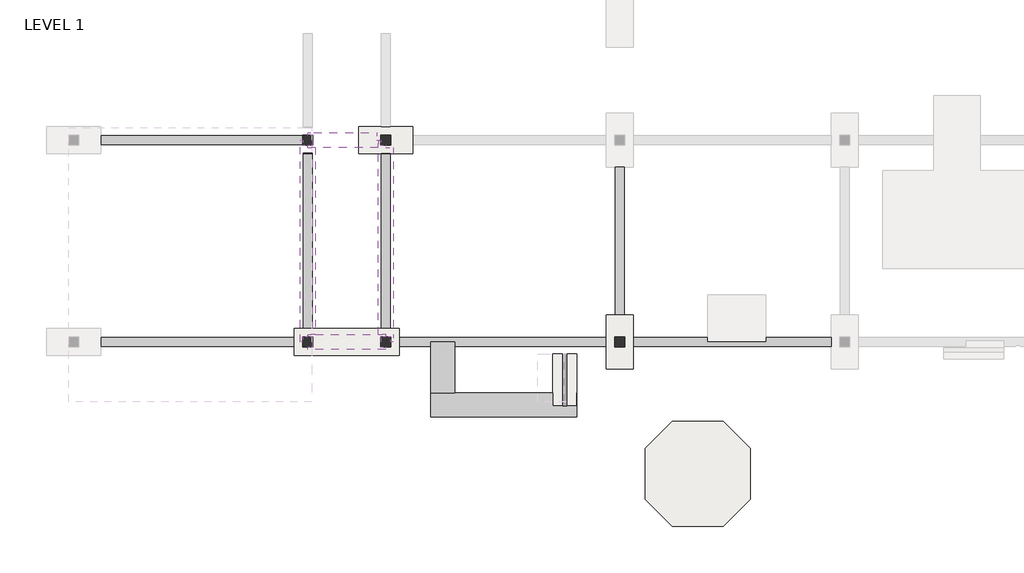
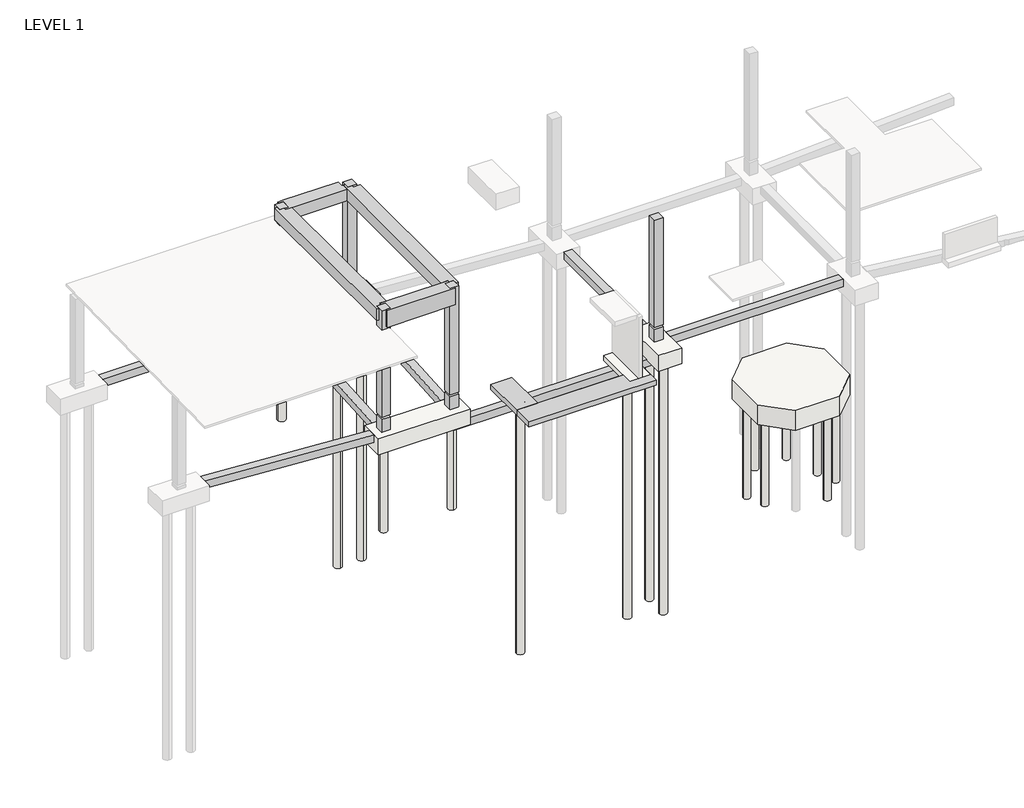
# One storey, part 5 of 20: 20 slabs, 13 beams, 5 columns, 1 footing.
"""IFC4 building model written with IfcOpenShell, lengths in millimetres."""

from ifc_helpers import new_model, si_unit, point, frame, frame_2d, origin, origin_with_axes, place, context, project, spatial, polyline, circle_curve, trimmed, segment, composite_curve, outline, extrude, faceted_brep, element, save
from ifc_brep_helpers import plane_surface, cylinder_surface, revolved_surface, advanced_brep

model = new_model("IFC4")

# Units and contexts
model_context = context("Model", 3, world=origin())
ifc_project = project(units=[si_unit("LENGTHUNIT", "METRE", prefix="MILLI")], contexts=[model_context])

# Site, building, storey
site = spatial("IfcSite", under=ifc_project)
building = spatial("IfcBuilding", under=site)
storey = spatial("IfcBuildingStorey", under=building, Name="LEVEL 1", Elevation=0.0)

# Beams
placement = place(None, origin())
element("IfcBeam", 1, ObjectType="Concrete-Rectangular Beam", at=placement, inside=storey, context=model_context, shape_type="SweptSolid", body=[
    extrude(outline(polyline([(-305.5076242, -1640.9610058), (-763.6257391, -1640.9610058), (-1386.8911151, 8188.8389942), (-928.7730003, 8188.8389942), (-305.5076242, -1640.9610058)])), frame((0.0, -55707.5107149, 0.0), z_axis=(0.0, 1.0, 0.0), x_axis=(0.0, 0.0, 1.0)), (0.0, 0.0, 1.0), 457.2),
])
element("IfcBeam", 2, ObjectType="Concrete-Rectangular Beam", at=placement, inside=storey, context=model_context, shape_type="AdvancedBrep", body=[
    advanced_brep(
    [(24724.2389942, -55707.5107149, -2286.0), (24724.2389942, -55250.3107149, -2286.0), (24724.2389942, -55250.3107149, -1879.6), (24724.2389942, -55707.5107149, -1879.6), (24038.4389942, -55707.5107149, -1828.8), (24038.4389942, -55250.3107149, -1828.8), (13522.8389942, -55250.3107149, -1828.8), (13522.8389942, -55707.5107149, -1828.8), (12837.0389942, -55707.5107149, -2286.0), (24038.4389942, -55707.5107149, -1879.6), (13522.8389942, -55707.5107149, -1879.6), (12837.0389942, -55707.5107149, -1879.6), (12837.0389942, -55250.3107149, -2286.0), (12837.0389942, -55250.3107149, -1879.6), (13522.8389942, -55250.3107149, -1879.6), (24038.4389942, -55250.3107149, -1879.6)],
    [
        (0, 1),
        (1, 2),
        (2, 3),
        (3, 0),
        (4, 5),
        (5, 6),
        (6, 7),
        (7, 4),
        (8, 0),
        (3, 9),
        (9, 4),
        (7, 10),
        (10, 11),
        (11, 8),
        (8, 12, circle_curve(frame((12837.0389942, -55478.9107149, -2286.0), z_axis=(0.0, 0.0, 1.0), x_axis=(0.0, 1.0000000000000002, 0.0)), 228.6)),
        (12, 1),
        (12, 13),
        (13, 14),
        (14, 6),
        (5, 15),
        (15, 2),
        (9, 15),
        (11, 13, circle_curve(frame((12837.0389942, -55478.9107149, -1879.6), z_axis=(0.0, 0.0, 1.0), x_axis=(0.0, 1.0000000000000002, 0.0)), 228.6)),
        (14, 10),
    ],
    [
        plane_surface(frame((24724.2389942, -55478.9107149, -2057.4), z_axis=(1.0, 0.0, 0.0), x_axis=(0.0, 0.0, 1.0))),
        plane_surface(frame((24724.2389942, -55250.3107149, -1828.8), z_axis=(0.0, 0.0, 1.0), x_axis=(-1.0, 0.0, 0.0))),
        plane_surface(frame((24724.2389942, -55707.5107149, -1828.8), z_axis=(0.0, -1.0, 0.0), x_axis=(-1.0, 0.0, 0.0))),
        plane_surface(frame((24724.2389942, -55707.5107149, -2286.0), z_axis=(0.0, 0.0, -1.0), x_axis=(-1.0, 0.0, 0.0))),
        plane_surface(frame((24724.2389942, -55250.3107149, -2286.0), z_axis=(0.0, 1.0, 0.0), x_axis=(-1.0, 0.0, 0.0))),
        plane_surface(frame((24038.4389942, -54107.3107149, -914.4), z_axis=(1.0, 0.0, 0.0), x_axis=(0.0, 0.0, -1.0))),
        revolved_surface(polyline([(12837.0389942, -55250.3107149, -1879.5999999999995), (12837.0389942, -55250.3107149, -2286.0)]), (12837.0389942, -55478.9107149, -7162.8), (0.0, 0.0, 1.0)),
        plane_surface(frame((13522.8389942, -56164.7107149, -914.4), z_axis=(-1.0, 0.0, 0.0), x_axis=(0.0, 0.0, -1.0))),
        plane_surface(frame((24038.4389942, -54107.3107149, -1879.6), z_axis=(0.0, 0.0, 1.0), x_axis=(1.0, 0.0, 0.0))),
        plane_surface(frame((8188.8389942, -56164.7107149, -1879.6), z_axis=(0.0, 0.0, 1.0), x_axis=(0.0, 1.0, 0.0))),
    ],
    [
        (0, [[1, 2, 3, 4]]),
        (1, [[5, 6, 7, 8]]),
        (2, [[9, -4, 10, 11, -8, 12, 13, 14]]),
        (3, [[-1, -9, 15, 16]]),
        (4, [[-16, 17, 18, 19, -6, 20, 21, -2]]),
        (5, [[-5, -11, 22, -20]]),
        (6, [[-15, -14, 23, -17]]),
        (7, [[24, -12, -7, -19]]),
        (8, [[-22, -10, -3, -21]]),
        (9, [[-24, -18, -23, -13]]),
    ],
),
])
element("IfcBeam", 3, ObjectType="Concrete-Rectangular Beam", at=placement, inside=storey, context=model_context, shape_type="SweptSolid", body=[
    extrude(outline(polyline([(35468.4389942, -55250.3107149), (35468.4389942, -55707.5107149), (25410.0389942, -55707.5107149), (25410.0389942, -55250.3107149), (35468.4389942, -55250.3107149)])), frame((0.0, 0.0, -1371.6), z_axis=(0.0, 0.0, 1.0), x_axis=(1.0, 0.0, 0.0)), (0.0, 0.0, 1.0), 457.2),
])
element("IfcBeam", 4, ObjectType="Concrete-Rectangular Beam", at=placement, inside=storey, context=model_context, shape_type="Brep", body=[
    faceted_brep([(9103.2389942, -45906.4114679, -304.8), (9103.2389942, -45903.1107149, -351.9000679), (9103.2389942, -45874.4494733, -760.8814301), (8646.0389942, -45874.4494733, -760.8814301), (8646.0389942, -45903.1107149, -351.9000679), (8646.0389942, -45906.4114679, -304.8), (8646.0389942, -54793.1107149, -927.5761403), (9103.2389942, -54793.1107149, -927.5761403), (8646.0389942, -45903.1107149, -762.8899979), (8646.0389942, -54793.1107149, -1385.8974536), (9103.2389942, -45903.1107149, -762.8899979), (9103.2389942, -54793.1107149, -1385.8974536)], [[[0, 1, 2, 3, 4, 5]], [[0, 5, 6, 7]], [[5, 4, 3, 8, 9, 6]], [[3, 2, 10, 11, 9, 8]], [[2, 1, 0, 7, 11, 10]], [[7, 6, 9, 11]]]),
])
element("IfcBeam", 5, ObjectType="Concrete-Rectangular Beam", at=placement, inside=storey, context=model_context, shape_type="SweptSolid", body=[
    extrude(outline(polyline([(-45903.1107149, -351.9000679), (-45903.1107149, -762.8899979), (-54793.1107149, -1385.8974536), (-54793.1107149, -927.5761403), (-45906.4114679, -304.8), (-45903.1107149, -351.9000679)])), frame((12608.4389942, 0.0, 0.0), z_axis=(1.0, 0.0, 0.0), x_axis=(0.0, 1.0, 0.0)), (0.0, 0.0, 1.0), 457.2),
])
element("IfcBeam", 6, ObjectType="Concrete-Rectangular Beam", at=placement, inside=storey, context=model_context, shape_type="SweptSolid", body=[
    extrude(outline(polyline([(24495.6389942, -46588.9107149), (24952.8389942, -46588.9107149), (24952.8389942, -54107.3107149), (24495.6389942, -54107.3107149), (24495.6389942, -46588.9107149)])), frame((0.0, 0.0, -1371.6), z_axis=(0.0, 0.0, 1.0), x_axis=(1.0, 0.0, 0.0)), (0.0, 0.0, 1.0), 457.2),
])
element("IfcBeam", 7, ObjectType="Concrete-Rectangular Beam", at=placement, inside=storey, context=model_context, shape_type="AdvancedBrep", body=[
    advanced_brep(
    [(-1640.9610058, -44988.7107149, -304.8), (-1640.9610058, -45445.9107149, -304.8), (8188.8389942, -45445.9107149, -304.8), (8874.6389942, -45445.9107149, -304.8), (8646.0389942, -45217.3107149, -304.8), (8874.6389942, -44988.7107149, -304.8), (8188.8389942, -44988.7107149, -304.8), (-1640.9610058, -45445.9107149, -762.0), (8188.8389942, -45445.9107149, -762.0), (8874.6389942, -45445.9107149, -762.0), (-1640.9610058, -44988.7107149, -762.0), (8188.8389942, -44988.7107149, -762.0), (8874.6389942, -44988.7107149, -762.0), (8646.0389942, -45217.3107149, -762.0)],
    [
        (0, 1),
        (1, 2),
        (2, 3),
        (3, 4, circle_curve(frame((8874.6389942, -45217.3107149, -304.8), z_axis=(0.0, 0.0, -1.0), x_axis=(1.0, 0.0, 0.0)), 228.6)),
        (4, 5, circle_curve(frame((8874.6389942, -45217.3107149, -304.8), z_axis=(0.0, 0.0, -1.0), x_axis=(1.0, 0.0, 0.0)), 228.6)),
        (5, 6),
        (6, 0),
        (1, 7),
        (7, 8),
        (8, 9),
        (9, 3),
        (7, 10),
        (10, 11),
        (11, 12),
        (12, 13, circle_curve(frame((8874.6389942, -45217.3107149, -762.0), z_axis=(0.0, 0.0, 1.0), x_axis=(1.0, 0.0, 0.0)), 228.6)),
        (13, 9, circle_curve(frame((8874.6389942, -45217.3107149, -762.0), z_axis=(0.0, 0.0, 1.0), x_axis=(1.0, 0.0, 0.0)), 228.6)),
        (10, 0),
        (5, 12),
        (13, 4),
    ],
    [
        plane_surface(frame((8607.9389942, -44988.7107149, -304.8), z_axis=(0.0, 0.0, 1.0), x_axis=(-1.0, 0.0, 0.0))),
        plane_surface(frame((8607.9389942, -45445.9107149, -304.8), z_axis=(0.0, -1.0, 0.0), x_axis=(-1.0, 0.0, 0.0))),
        plane_surface(frame((8607.9389942, -45445.9107149, -762.0), z_axis=(0.0, 0.0, -1.0), x_axis=(-1.0, 0.0, 0.0))),
        plane_surface(frame((8607.9389942, -44988.7107149, -762.0), z_axis=(0.0, 1.0, 0.0), x_axis=(-1.0, 0.0, 0.0))),
        plane_surface(frame((-1640.9610058, -45903.1107149, -304.8), z_axis=(-1.0, 0.0, 0.0), x_axis=(0.0, 0.0, -1.0))),
        revolved_surface(polyline([(9103.2389942, -45217.3107149, -304.8000000000002), (9103.2389942, -45217.3107149, -762.0)]), (8874.6389942, -45217.3107149, -6553.2), (0.0, 0.0, 1.0)),
    ],
    [
        (0, [[1, 2, 3, 4, 5, 6, 7]]),
        (1, [[8, 9, 10, 11, -3, -2]]),
        (2, [[12, 13, 14, 15, 16, -10, -9]]),
        (3, [[17, -7, -6, 18, -14, -13]]),
        (4, [[-1, -17, -12, -8]]),
        (5, [[19, -4, -11, -16]]),
        (5, [[-19, -15, -18, -5]]),
    ],
),
])
element("IfcBeam", 8, ObjectType="UC Concrete-Rectangular Beam : 30\"x36\"", at=placement, inside=storey, context=model_context, shape_type="Brep", body=[
    faceted_brep([(13228.832182, -55478.9107149, 6553.2), (13228.832182, -55478.9107149, 5842.0), (13228.832182, -55097.9107149, 5842.0), (13228.832182, -45598.3107149, 5842.0), (13228.832182, -45598.3107149, 6553.2), (13228.832182, -55097.9107149, 6553.2), (13091.0389942, -55478.9107149, 5842.0), (13091.0389942, -55224.9107149, 5842.0), (12837.0389942, -55224.9107149, 5842.0), (12837.0389942, -55097.9107149, 5842.0), (12466.832182, -55097.9107149, 5842.0), (12466.832182, -45598.3107149, 5842.0), (12466.832182, -45217.3107149, 5842.0), (12583.0389942, -45217.3107149, 5842.0), (12583.0389942, -45471.3107149, 5842.0), (12837.0389942, -45471.3107149, 5842.0), (12837.0389942, -45598.3107149, 5842.0), (12466.832182, -55097.9107149, 6553.2), (12466.832182, -45598.3107149, 6553.2), (12466.832182, -45217.3107149, 6553.2), (13091.0389942, -55478.9107149, 6553.2), (13091.0389942, -55224.9107149, 6553.2), (12837.0389942, -55224.9107149, 6553.2), (12583.0389942, -45471.3107149, 6553.2), (12837.0389942, -45471.3107149, 6553.2), (12837.0389942, -45598.3107149, 6553.2), (12583.0389942, -45217.3107149, 6553.2), (12837.0389942, -55097.9107149, 6553.2)], [[[0, 1, 2, 3, 4, 5]], [[6, 7, 8, 9, 10, 11, 12, 13, 14, 15, 16, 3, 2, 1]], [[10, 17, 18, 19, 12, 11]], [[6, 1, 0, 20]], [[8, 7, 21, 22]], [[14, 23, 24, 15]], [[21, 20, 0, 5, 4, 25, 24, 23, 26, 19, 18, 17, 27, 22]], [[7, 6, 20, 21]], [[17, 10, 9, 27]], [[14, 13, 26, 23]], [[16, 25, 4, 3]], [[13, 12, 19, 26]], [[27, 9, 8, 22]], [[25, 16, 15, 24]]]),
])
element("IfcBeam", 9, ObjectType="UC Concrete-Rectangular Beam : 30\"x36\"", at=placement, inside=storey, context=model_context, shape_type="Brep", body=[
    faceted_brep([(8874.6389942, -44836.3107149, 6553.2), (9179.4389942, -44836.3107149, 6553.2), (12379.8389942, -44836.3107149, 6553.2), (12379.8389942, -44836.3107149, 5842.0), (8874.6389942, -44836.3107149, 5842.0), (8874.6389942, -44836.3107149, 6146.8), (9128.6389942, -45471.3107149, 5842.0), (9128.6389942, -44963.3107149, 5842.0), (8874.6389942, -44963.3107149, 5842.0), (12379.8389942, -45217.3107149, 5842.0), (12466.832182, -45217.3107149, 5842.0), (12466.832182, -45598.3107149, 5842.0), (9255.6389942, -45598.3107149, 5842.0), (8874.6389942, -45598.3107149, 5842.0), (8874.6389942, -45471.3107149, 5842.0), (8874.6389942, -45598.3107149, 6553.2), (12466.832182, -45598.3107149, 6553.2), (9255.6389942, -45598.3107149, 6553.2), (8874.6389942, -44963.3107149, 6146.8), (8874.6389942, -44963.3107149, 6553.2), (9128.6389942, -45471.3107149, 6553.2), (9128.6389942, -44963.3107149, 6553.2), (8874.6389942, -45471.3107149, 6553.2), (12466.832182, -45217.3107149, 6553.2), (12379.8389942, -45217.3107149, 6553.2)], [[[0, 1, 2, 3, 4, 5]], [[6, 7, 8, 4, 3, 9, 10, 11, 12, 13, 14]], [[15, 13, 12, 11, 16, 17]], [[4, 8, 18, 19, 0, 5]], [[7, 6, 20, 21]], [[21, 20, 22, 15, 17, 16, 23, 24, 2, 1, 0, 19]], [[6, 14, 22, 20]], [[8, 7, 21, 19, 18]], [[3, 2, 24, 9]], [[11, 10, 23, 16]], [[14, 13, 15, 22]], [[9, 24, 23, 10]]]),
])
element("IfcBeam", 10, ObjectType="UC Concrete-Rectangular Beam : 30\"x36\"", at=placement, inside=storey, context=model_context, shape_type="Brep", body=[
    faceted_brep([(8493.6389942, -45217.3107149, 5842.0), (8493.6389942, -55478.9107149, 5842.0), (8493.6389942, -55478.9107149, 6553.2), (8493.6389942, -45217.3107149, 6553.2), (8620.6389942, -45217.3107149, 5842.0), (8620.6389942, -45471.3107149, 5842.0), (8874.6389942, -45471.3107149, 5842.0), (8874.6389942, -45598.3107149, 5842.0), (9255.6389942, -45598.3107149, 5842.0), (9255.6389942, -55097.9107149, 5842.0), (8874.6389942, -55097.9107149, 5842.0), (8874.6389942, -55224.9107149, 5842.0), (8620.6389942, -55224.9107149, 5842.0), (8620.6389942, -55478.9107149, 5842.0), (9255.6389942, -55097.9107149, 6553.2), (9255.6389942, -45598.3107149, 6553.2), (8874.6389942, -55224.9107149, 6553.2), (8620.6389942, -55224.9107149, 6553.2), (8620.6389942, -45471.3107149, 6553.2), (8874.6389942, -45471.3107149, 6553.2), (8620.6389942, -55478.9107149, 6553.2), (8874.6389942, -55097.9107149, 6553.2), (8874.6389942, -45598.3107149, 6553.2), (8620.6389942, -45217.3107149, 6553.2), (8569.8389942, -45217.3107149, 6553.2), (8620.6389942, -45217.3107149, 6146.8)], [[[0, 1, 2, 3]], [[1, 0, 4, 5, 6, 7, 8, 9, 10, 11, 12, 13]], [[14, 9, 8, 15]], [[12, 11, 16, 17]], [[5, 18, 19, 6]], [[3, 2, 20, 17, 16, 21, 14, 15, 22, 19, 18, 23, 24]], [[13, 12, 17, 20]], [[5, 4, 25, 23, 18]], [[10, 9, 14, 21]], [[7, 22, 15, 8]], [[1, 13, 20, 2]], [[4, 0, 3, 24, 23, 25]], [[10, 21, 16, 11]], [[22, 7, 6, 19]]]),
])
element("IfcBeam", 11, ObjectType="UC Concrete-Rectangular Beam : 30\"x48\"", at=placement, inside=storey, context=model_context, shape_type="Brep", body=[
    faceted_brep([(8874.6389942, -55859.9107149, 5537.2), (12837.0389942, -55859.9107149, 5537.2), (12837.0389942, -55859.9107149, 6553.2), (8874.6389942, -55859.9107149, 6553.2), (8874.6389942, -55732.9107149, 5537.2), (9128.6389942, -55732.9107149, 5537.2), (9128.6389942, -55224.9107149, 5537.2), (8874.6389942, -55224.9107149, 5537.2), (8874.6389942, -55097.9107149, 5537.2), (12837.0389942, -55097.9107149, 5537.2), (12837.0389942, -55224.9107149, 5537.2), (12583.0389942, -55224.9107149, 5537.2), (12583.0389942, -55732.9107149, 5537.2), (12837.0389942, -55732.9107149, 5537.2), (8874.6389942, -55097.9107149, 5842.0), (8874.6389942, -55097.9107149, 6553.2), (9255.6389942, -55097.9107149, 6553.2), (12466.832182, -55097.9107149, 6553.2), (12837.0389942, -55097.9107149, 6553.2), (12837.0389942, -55097.9107149, 5842.0), (12837.0389942, -55732.9107149, 6553.2), (8874.6389942, -55224.9107149, 5842.0), (8874.6389942, -55224.9107149, 6553.2), (12583.0389942, -55224.9107149, 6553.2), (12583.0389942, -55732.9107149, 6553.2), (9128.6389942, -55732.9107149, 6553.2), (9128.6389942, -55224.9107149, 6553.2), (12837.0389942, -55224.9107149, 6553.2), (8874.6389942, -55732.9107149, 6553.2), (12837.0389942, -55224.9107149, 5842.0)], [[[0, 1, 2, 3]], [[1, 0, 4, 5, 6, 7, 8, 9, 10, 11, 12, 13]], [[9, 8, 14, 15, 16, 17, 18, 19]], [[1, 13, 20, 2]], [[8, 7, 21, 22, 15, 14]], [[12, 11, 23, 24]], [[6, 5, 25, 26]], [[3, 2, 20, 24, 23, 27, 18, 17, 16, 15, 22, 26, 25, 28]], [[13, 12, 24, 20]], [[11, 10, 29, 27, 23]], [[5, 4, 28, 25]], [[7, 6, 26, 22, 21]], [[10, 9, 19, 18, 27, 29]], [[4, 0, 3, 28]]]),
])
element("IfcBeam", 12, ObjectType="UC Concrete-Rectangular Beam : 48\"x12\"", at=placement, inside=storey, context=model_context, shape_type="Brep", body=[
    faceted_brep([(22539.8389942, -59282.9089058, -406.4), (22539.8389942, -59282.9089058, -711.2), (22539.8389942, -58063.7089058, -711.2), (22539.8389942, -58063.7089058, -406.4), (22536.6639942, -58063.7089058, -406.4), (22536.6639942, -58723.7454906, -406.4), (21317.4639942, -58723.7454906, -406.4), (21317.4639942, -58063.7089058, -406.4), (16342.2389942, -58063.7089058, -406.4), (15123.0389942, -58063.7089058, -406.4), (15123.0389942, -59282.9089058, -406.4), (15123.0389942, -58063.7089058, -711.2), (21317.4639942, -58063.7089058, -711.2), (16342.2389942, -58063.7089058, -711.2), (15123.0389942, -59282.9089058, -711.2), (21317.4639942, -58723.7454906, -711.2), (22536.6639942, -58723.7454906, -711.2), (22536.6639942, -58063.7089058, -711.2)], [[[0, 1, 2, 3]], [[0, 3, 4, 5, 6, 7, 8, 9, 10]], [[11, 9, 8, 7, 12, 13]], [[2, 1, 14, 11, 13, 12, 15, 16, 17]], [[1, 0, 10, 14]], [[10, 9, 11, 14]], [[15, 6, 5, 16]], [[6, 15, 12, 7]], [[16, 5, 4, 17]], [[3, 2, 17, 4]]]),
])
element("IfcBeam", 13, ObjectType="UC Concrete-Rectangular Beam : 48\"x12\"", at=placement, inside=storey, context=model_context, shape_type="AdvancedBrep", body=[
    advanced_brep(
    [(16342.2389942, -55478.9107149, -406.4), (16342.2389942, -55478.9107149, -711.2), (15123.0389942, -55478.9107149, -711.2), (15123.0389942, -55478.9107149, -406.4), (15123.0389942, -58063.7089058, -406.4), (16342.2389942, -58063.7089058, -406.4), (15123.0389942, -58063.7089058, -711.2), (16342.2389942, -58063.7089058, -711.2), (15475.4639942, -57406.1281028, -711.2), (15932.6639942, -57406.1281028, -711.2), (15932.6639942, -57406.1281028, -482.6), (15475.4639942, -57406.1281028, -482.6)],
    [
        (0, 1),
        (1, 2),
        (2, 3),
        (3, 0),
        (3, 4),
        (4, 5),
        (5, 0),
        (2, 6),
        (6, 4),
        (1, 7),
        (7, 6),
        (8, 9, circle_curve(frame((15704.0639942, -57406.1281028, -711.2), z_axis=(0.0, 0.0, 1.0), x_axis=(1.0, 0.0, 0.0)), 228.6)),
        (9, 8, circle_curve(frame((15704.0639942, -57406.1281028, -711.2), z_axis=(0.0, 0.0, 1.0), x_axis=(1.0, 0.0, 0.0)), 228.6)),
        (5, 7),
        (10, 11, circle_curve(frame((15704.0639942, -57406.1281028, -482.6), z_axis=(0.0, 0.0, -1.0), x_axis=(1.0, 0.0, 0.0)), 228.6)),
        (11, 10, circle_curve(frame((15704.0639942, -57406.1281028, -482.6), z_axis=(0.0, 0.0, -1.0), x_axis=(1.0, 0.0, 0.0)), 228.6)),
        (10, 9),
        (8, 11),
    ],
    [
        plane_surface(frame((15732.6389942, -55478.9107149, -558.8), z_axis=(0.0, 1.0, 0.0), x_axis=(0.0, 0.0, 1.0))),
        plane_surface(frame((16342.2389942, -58051.0089058, -406.4), z_axis=(0.0, 0.0, 1.0), x_axis=(0.0, 1.0, 0.0))),
        plane_surface(frame((15123.0389942, -58051.0089058, -406.4), z_axis=(-1.0, 0.0, 0.0), x_axis=(0.0, 1.0, 0.0))),
        plane_surface(frame((15123.0389942, -58051.0089058, -711.2), z_axis=(0.0, 0.0, -1.0), x_axis=(0.0, 1.0, 0.0))),
        plane_surface(frame((16342.2389942, -58051.0089058, -711.2), z_axis=(1.0, 0.0, 0.0), x_axis=(0.0, 1.0, 0.0))),
        plane_surface(frame((16354.9389942, -58063.7089058, -558.8), z_axis=(0.0, -1.0, 0.0), x_axis=(0.0, 0.0, -1.0))),
        plane_surface(frame((15932.6639942, -57406.1281028, -482.6), z_axis=(0.0, 0.0, -1.0), x_axis=(0.0, 1.0, 0.0))),
        revolved_surface(polyline([(15932.6639942, -57406.1281028, -482.60000000000036), (15932.6639942, -57406.1281028, -711.2000000000007)]), (15704.0639942, -57406.1281028, -15875.0), (0.0, 0.0, 1.0)),
    ],
    [
        (0, [[1, 2, 3, 4]]),
        (1, [[-4, 5, 6, 7]]),
        (2, [[-3, 8, 9, -5]]),
        (3, [[-2, 10, 11, -8], [12, 13]]),
        (4, [[-1, -7, 14, -10]]),
        (5, [[-6, -9, -11, -14]]),
        (6, [[15, 16]]),
        (7, [[-15, 17, -12, 18]]),
        (7, [[-16, -18, -13, -17]]),
    ],
),
])

# Columns
element("IfcColumn", 14, ObjectType="UC Concrete-Rectangular-Column : 20 x 20", at=placement, inside=storey, context=model_context, shape_type="SweptSolid", body=[
    extrude(outline(polyline([(13091.0389942, -55224.9107149), (13091.0389942, -55732.9107149), (12583.0389942, -55732.9107149), (12583.0389942, -55224.9107149), (13091.0389942, -55224.9107149)])), frame((0.0, 0.0, -914.4), z_axis=(0.0, 0.0, 1.0), x_axis=(1.0, 0.0, 0.0)), (0.0, 0.0, 1.0), 787.4),
    extrude(outline(polyline([(13091.0389942, -55224.9107149), (13091.0389942, -55732.9107149), (12583.0389942, -55732.9107149), (12583.0389942, -55224.9107149), (13091.0389942, -55224.9107149)])), origin_with_axes(), (0.0, 0.0, 1.0), 6553.2),
])
element("IfcColumn", 15, ObjectType="UC Concrete-Rectangular-Column : 20 x 20", at=placement, inside=storey, context=model_context, shape_type="Brep", body=[
    faceted_brep([(9128.6389942, -55224.9107149, -914.4), (9128.6389942, -55732.9107149, -914.4), (8620.6389942, -55732.9107149, -914.4), (8620.6389942, -55224.9107149, -914.4), (9128.6389942, -55732.9107149, -127.0), (9128.6389942, -55224.9107149, -127.0), (8620.6389942, -55224.9107149, -127.0), (8620.6389942, -55732.9107149, -127.0)], [[[0, 1, 2, 3]], [[4, 5, 6, 7]], [[1, 0, 5, 4]], [[2, 1, 4, 7]], [[3, 2, 7, 6]], [[0, 3, 6, 5]]]),
    faceted_brep([(9128.6389942, -55224.9107149, 6553.2), (9128.6389942, -55732.9107149, 6553.2), (9128.6389942, -55732.9107149, 0.0), (9128.6389942, -55224.9107149, 0.0), (8620.6389942, -55732.9107149, 6553.2), (8620.6389942, -55732.9107149, 5366.5058787), (9077.8389942, -55732.9107149, 5366.5058787), (9077.8389942, -55732.9107149, 5239.4784818), (8620.6389942, -55732.9107149, 5239.4784818), (8620.6389942, -55732.9107149, 0.0), (8620.6389942, -55224.9107149, 6553.2), (8620.6389942, -55224.9107149, 5377.0582604), (8620.6389942, -55224.9107149, 0.0), (8620.6389942, -55224.9107149, 5250.0308636), (9077.8389942, -55224.9107149, 5250.0308636), (9077.8389942, -55224.9107149, 5377.0582604)], [[[0, 1, 2, 3]], [[1, 4, 5, 6, 7, 8, 9, 2]], [[4, 10, 11, 5]], [[10, 0, 3, 12, 13, 14, 15, 11]], [[1, 0, 10, 4]], [[3, 2, 9, 12]], [[7, 14, 13, 8]], [[15, 6, 5, 11]], [[14, 7, 6, 15]], [[12, 9, 8, 13]]]),
])
element("IfcColumn", 16, ObjectType="UC Concrete-Rectangular-Column : 20 x 20", at=placement, inside=storey, context=model_context, shape_type="Brep", body=[
    faceted_brep([(9128.6389942, -44963.3107149, -304.8), (9128.6389942, -45471.3107149, -304.8), (8620.6389942, -45471.3107149, -304.8), (8620.6389942, -44963.3107149, -304.8), (9128.6389942, -45471.3107149, -127.0), (9128.6389942, -44963.3107149, -127.0), (8620.6389942, -44963.3107149, -127.0), (8620.6389942, -45471.3107149, -127.0)], [[[0, 1, 2, 3]], [[4, 5, 6, 7]], [[1, 0, 5, 4]], [[2, 1, 4, 7]], [[3, 2, 7, 6]], [[0, 3, 6, 5]]]),
    faceted_brep([(9128.6389942, -44963.3107149, 6553.2), (9128.6389942, -45471.3107149, 6553.2), (9128.6389942, -45471.3107149, 0.0), (9128.6389942, -44963.3107149, 0.0), (8620.6389942, -45471.3107149, 6553.2), (8620.6389942, -45471.3107149, 5579.6639902), (9077.8389942, -45471.3107149, 5579.6639902), (9077.8389942, -45471.3107149, 5452.6365934), (8620.6389942, -45471.3107149, 5452.6365934), (8620.6389942, -45471.3107149, 0.0), (8620.6389942, -44963.3107149, 6553.2), (8620.6389942, -44963.3107149, 5590.216372), (8620.6389942, -44963.3107149, 0.0), (8620.6389942, -44963.3107149, 5463.1889751), (9077.8389942, -44963.3107149, 5463.1889751), (9077.8389942, -44963.3107149, 5590.216372)], [[[0, 1, 2, 3]], [[1, 4, 5, 6, 7, 8, 9, 2]], [[4, 10, 11, 5]], [[10, 0, 3, 12, 13, 14, 15, 11]], [[1, 0, 10, 4]], [[3, 2, 9, 12]], [[7, 14, 13, 8]], [[15, 6, 5, 11]], [[14, 7, 6, 15]], [[12, 9, 8, 13]]]),
])
element("IfcColumn", 17, ObjectType="UC Concrete-Rectangular-Column : 20 x 20", at=placement, inside=storey, context=model_context, shape_type="SweptSolid", body=[
    extrude(outline(polyline([(13091.0389942, -44963.3107149), (13091.0389942, -45471.3107149), (12583.0389942, -45471.3107149), (12583.0389942, -44963.3107149), (13091.0389942, -44963.3107149)])), frame((0.0, 0.0, -304.8), z_axis=(0.0, 0.0, 1.0), x_axis=(1.0, 0.0, 0.0)), (0.0, 0.0, 1.0), 177.8),
    extrude(outline(polyline([(13091.0389942, -44963.3107149), (13091.0389942, -45471.3107149), (12583.0389942, -45471.3107149), (12583.0389942, -44963.3107149), (13091.0389942, -44963.3107149)])), origin_with_axes(), (0.0, 0.0, 1.0), 6553.2),
])
element("IfcColumn", 18, ObjectType="UC Concrete-Rectangular-Column : 20 x 20", at=placement, inside=storey, context=model_context, shape_type="Brep", body=[
    faceted_brep([(24978.2389942, -55224.9107149, -914.4), (24978.2389942, -55732.9107149, -914.4), (24470.2389942, -55732.9107149, -914.4), (24470.2389942, -55224.9107149, -914.4), (24978.2389942, -55732.9107149, -127.0), (24978.2389942, -55224.9107149, -127.0), (24470.2389942, -55224.9107149, -127.0), (24470.2389942, -55732.9107149, -127.0)], [[[0, 1, 2, 3]], [[4, 5, 6, 7]], [[1, 0, 5, 4]], [[2, 1, 4, 7]], [[3, 2, 7, 6]], [[0, 3, 6, 5]]]),
    faceted_brep([(24978.2389942, -55224.9107149, 6553.2), (24978.2389942, -55732.9107149, 6553.2), (24978.2389942, -55732.9107149, 0.0), (24978.2389942, -55224.9107149, 0.0), (24724.2389942, -55732.9107149, 6553.2), (24470.2389942, -55732.9107149, 6553.2), (24470.2389942, -55732.9107149, 5537.2), (24470.2389942, -55732.9107149, 0.0), (24470.2389942, -55224.9107149, 6553.2), (24470.2389942, -55224.9107149, 5537.2), (24470.2389942, -55224.9107149, 0.0), (24724.2389942, -55224.9107149, 6553.2)], [[[0, 1, 2, 3]], [[1, 4, 5, 6, 7, 2]], [[5, 8, 9, 10, 7, 6]], [[8, 11, 0, 3, 10, 9]], [[1, 0, 11, 8, 5, 4]], [[3, 2, 7, 10]]]),
])

# Footing
element("IfcFooting", 19, ObjectType="Bearing Footing - 48\" x 12\"", at=placement, inside=storey, context=model_context, shape_type="AdvancedBrep", body=[
    advanced_brep(
    [(21317.4639942, -58723.7454906, -406.4), (21317.4639942, -58723.7454906, -711.2), (22536.6639942, -58723.7454906, -711.2), (22536.6639942, -58723.7454906, -406.4), (21317.4639942, -56088.5107149, -711.2), (21317.4639942, -56088.5107149, -406.4), (22536.6639942, -56088.5107149, -406.4), (22536.6639942, -56088.5107149, -711.2), (21317.4639942, -58063.7089058, -406.4), (22536.6639942, -58063.7089058, -406.4), (21317.4639942, -58063.7089058, -711.2), (22536.6639942, -58063.7089058, -711.2), (21698.4639942, -57406.1281028, -711.2), (22155.6639942, -57406.1281028, -711.2), (22155.6639942, -57406.1281028, -482.6), (21698.4639942, -57406.1281028, -482.6)],
    [
        (0, 1),
        (1, 2),
        (2, 3),
        (3, 0),
        (4, 5),
        (5, 6),
        (6, 7),
        (7, 4),
        (5, 8),
        (8, 0),
        (3, 9),
        (9, 6),
        (4, 10),
        (10, 1),
        (7, 11),
        (11, 2),
        (12, 13, circle_curve(frame((21927.0639942, -57406.1281028, -711.2), z_axis=(0.0, 0.0, 1.0), x_axis=(1.0, 0.0, 0.0)), 228.6)),
        (13, 12, circle_curve(frame((21927.0639942, -57406.1281028, -711.2), z_axis=(0.0, 0.0, 1.0), x_axis=(1.0, 0.0, 0.0)), 228.6)),
        (14, 15, circle_curve(frame((21927.0639942, -57406.1281028, -482.6), z_axis=(0.0, 0.0, -1.0), x_axis=(1.0, 0.0, 0.0)), 228.6)),
        (15, 14, circle_curve(frame((21927.0639942, -57406.1281028, -482.6), z_axis=(0.0, 0.0, -1.0), x_axis=(1.0, 0.0, 0.0)), 228.6)),
        (14, 13),
        (12, 15),
    ],
    [
        plane_surface(frame((21245.5104746, -58723.7454906, -406.4), z_axis=(0.0, -1.0, 0.0), x_axis=(0.0, 0.0, 1.0))),
        plane_surface(frame((21245.5104746, -56088.5107149, -406.4), z_axis=(0.0, 1.0, 0.0), x_axis=(0.0, 0.0, 1.0))),
        plane_surface(frame((21927.0639942, -58723.7454906, -406.4), z_axis=(0.0, 0.0, 1.0), x_axis=(0.0, 1.0, 0.0))),
        plane_surface(frame((21317.4639942, -58723.7454906, -406.4), z_axis=(-1.0, 0.0, 0.0), x_axis=(0.0, 1.0, 0.0))),
        plane_surface(frame((21317.4639942, -58723.7454906, -711.2), z_axis=(0.0, 0.0, -1.0), x_axis=(0.0, 1.0, 0.0))),
        plane_surface(frame((22536.6639942, -58723.7454906, -711.2), z_axis=(1.0, 0.0, 0.0), x_axis=(0.0, 1.0, 0.0))),
        plane_surface(frame((22155.6639942, -57406.1281028, -482.6), z_axis=(0.0, 0.0, -1.0), x_axis=(0.0, 1.0, 0.0))),
        revolved_surface(polyline([(22155.6639942, -57406.1281028, -482.60000000000036), (22155.6639942, -57406.1281028, -711.2000000000007)]), (21927.0639942, -57406.1281028, -15875.0), (0.0, 0.0, 1.0)),
    ],
    [
        (0, [[1, 2, 3, 4]]),
        (1, [[5, 6, 7, 8]]),
        (2, [[9, 10, -4, 11, 12, -6]]),
        (3, [[-1, -10, -9, -5, 13, 14]]),
        (4, [[-2, -14, -13, -8, 15, 16], [17, 18]]),
        (5, [[-3, -16, -15, -7, -12, -11]]),
        (6, [[19, 20]]),
        (7, [[-19, 21, -17, 22]]),
        (7, [[-20, -22, -18, -21]]),
    ],
),
])

# Slabs
element("IfcSlab", 20, ObjectType="16\" Diameter", at=placement, inside=storey, context=model_context, shape_type="SweptSolid", body=[
    extrude(outline(composite_curve([segment(trimmed(circle_curve(frame_2d((29601.0389942, -60127.1107149)), 203.2), [point((29397.8389942, -60127.1107149))], [point((29804.2389942, -60127.1107149))], False, "CARTESIAN"), True, "CONTINUOUS"), segment(trimmed(circle_curve(frame_2d((29601.0389942, -60127.1107149)), 203.2), [point((29804.2389942, -60127.1107149))], [point((29397.8389942, -60127.1107149))], False, "CARTESIAN"), True, "CONTINUOUS")], self_intersect=False)), frame((0.0, 0.0, -7162.8), z_axis=(0.0, 0.0, 1.0), x_axis=(1.0, 0.0, 0.0)), (0.0, 0.0, 1.0), 5334.0),
])
element("IfcSlab", 21, ObjectType="16\" Diameter", at=placement, inside=storey, context=model_context, shape_type="SweptSolid", body=[
    extrude(outline(composite_curve([segment(trimmed(circle_curve(frame_2d((27772.2389942, -60127.1107149)), 203.2), [point((27569.0389942, -60127.1107149))], [point((27975.4389942, -60127.1107149))], False, "CARTESIAN"), True, "CONTINUOUS"), segment(trimmed(circle_curve(frame_2d((27772.2389942, -60127.1107149)), 203.2), [point((27975.4389942, -60127.1107149))], [point((27569.0389942, -60127.1107149))], False, "CARTESIAN"), True, "CONTINUOUS")], self_intersect=False)), frame((0.0, 0.0, -7162.8), z_axis=(0.0, 0.0, 1.0), x_axis=(1.0, 0.0, 0.0)), (0.0, 0.0, 1.0), 5334.0),
])
element("IfcSlab", 22, ObjectType="16\" Diameter", at=placement, inside=storey, context=model_context, shape_type="SweptSolid", body=[
    extrude(outline(composite_curve([segment(trimmed(circle_curve(frame_2d((26629.2389942, -61270.1107149)), 203.2), [point((26426.0389942, -61270.1107149))], [point((26832.4389942, -61270.1107149))], False, "CARTESIAN"), True, "CONTINUOUS"), segment(trimmed(circle_curve(frame_2d((26629.2389942, -61270.1107149)), 203.2), [point((26832.4389942, -61270.1107149))], [point((26426.0389942, -61270.1107149))], False, "CARTESIAN"), True, "CONTINUOUS")], self_intersect=False)), frame((0.0, 0.0, -7823.2), z_axis=(0.0, 0.0, 1.0), x_axis=(1.0, 0.0, 0.0)), (0.0, 0.0, 1.0), 5994.4),
])
element("IfcSlab", 23, ObjectType="16\" Diameter", at=placement, inside=storey, context=model_context, shape_type="SweptSolid", body=[
    extrude(outline(composite_curve([segment(trimmed(circle_curve(frame_2d((26629.2389942, -63098.9107149)), 203.2), [point((26426.0389942, -63098.9107149))], [point((26832.4389942, -63098.9107149))], False, "CARTESIAN"), True, "CONTINUOUS"), segment(trimmed(circle_curve(frame_2d((26629.2389942, -63098.9107149)), 203.2), [point((26832.4389942, -63098.9107149))], [point((26426.0389942, -63098.9107149))], False, "CARTESIAN"), True, "CONTINUOUS")], self_intersect=False)), frame((0.0, 0.0, -7162.8), z_axis=(0.0, 0.0, 1.0), x_axis=(1.0, 0.0, 0.0)), (0.0, 0.0, 1.0), 5334.0),
])
element("IfcSlab", 24, ObjectType="16\" Diameter", at=placement, inside=storey, context=model_context, shape_type="SweptSolid", body=[
    extrude(outline(composite_curve([segment(trimmed(circle_curve(frame_2d((29601.0389942, -64241.9107149)), 203.2), [point((29397.8389942, -64241.9107149))], [point((29804.2389942, -64241.9107149))], False, "CARTESIAN"), True, "CONTINUOUS"), segment(trimmed(circle_curve(frame_2d((29601.0389942, -64241.9107149)), 203.2), [point((29804.2389942, -64241.9107149))], [point((29397.8389942, -64241.9107149))], False, "CARTESIAN"), True, "CONTINUOUS")], self_intersect=False)), frame((0.0, 0.0, -7162.8), z_axis=(0.0, 0.0, 1.0), x_axis=(1.0, 0.0, 0.0)), (0.0, 0.0, 1.0), 5334.0),
])
element("IfcSlab", 25, ObjectType="16\" Diameter", at=placement, inside=storey, context=model_context, shape_type="SweptSolid", body=[
    extrude(outline(composite_curve([segment(trimmed(circle_curve(frame_2d((30744.0389942, -63098.9107149)), 203.2), [point((30540.8389942, -63098.9107149))], [point((30947.2389942, -63098.9107149))], False, "CARTESIAN"), True, "CONTINUOUS"), segment(trimmed(circle_curve(frame_2d((30744.0389942, -63098.9107149)), 203.2), [point((30947.2389942, -63098.9107149))], [point((30540.8389942, -63098.9107149))], False, "CARTESIAN"), True, "CONTINUOUS")], self_intersect=False)), frame((0.0, 0.0, -7162.8), z_axis=(0.0, 0.0, 1.0), x_axis=(1.0, 0.0, 0.0)), (0.0, 0.0, 1.0), 5334.0),
])
element("IfcSlab", 26, ObjectType="16\" Diameter", at=placement, inside=storey, context=model_context, shape_type="SweptSolid", body=[
    extrude(outline(composite_curve([segment(trimmed(circle_curve(frame_2d((30744.0389942, -61270.1107149)), 203.2), [point((30540.8389942, -61270.1107149))], [point((30947.2389942, -61270.1107149))], False, "CARTESIAN"), True, "CONTINUOUS"), segment(trimmed(circle_curve(frame_2d((30744.0389942, -61270.1107149)), 203.2), [point((30947.2389942, -61270.1107149))], [point((30540.8389942, -61270.1107149))], False, "CARTESIAN"), True, "CONTINUOUS")], self_intersect=False)), frame((0.0, 0.0, -7823.2), z_axis=(0.0, 0.0, 1.0), x_axis=(1.0, 0.0, 0.0)), (0.0, 0.0, 1.0), 5994.4),
])
element("IfcSlab", 27, ObjectType="18\" Diameter", at=placement, inside=storey, context=model_context, shape_type="SweptSolid", body=[
    extrude(outline(composite_curve([segment(trimmed(circle_curve(frame_2d((8874.6389942, -55478.9107149)), 228.6), [point((8646.0389942, -55478.9107149))], [point((9103.2389942, -55478.9107149))], False, "CARTESIAN"), True, "CONTINUOUS"), segment(trimmed(circle_curve(frame_2d((8874.6389942, -55478.9107149)), 228.6), [point((9103.2389942, -55478.9107149))], [point((8646.0389942, -55478.9107149))], False, "CARTESIAN"), True, "CONTINUOUS")], self_intersect=False)), frame((0.0, 0.0, -7162.8), z_axis=(0.0, 0.0, 1.0), x_axis=(1.0, 0.0, 0.0)), (0.0, 0.0, 1.0), 6248.4),
])
element("IfcSlab", 28, ObjectType="18\" Diameter", at=placement, inside=storey, context=model_context, shape_type="SweptSolid", body=[
    extrude(outline(composite_curve([segment(trimmed(circle_curve(frame_2d((12837.0389942, -55478.9107149)), 228.6), [point((12837.0389942, -55707.5107149))], [point((12837.0389942, -55250.3107149))], False, "CARTESIAN"), True, "CONTINUOUS"), segment(trimmed(circle_curve(frame_2d((12837.0389942, -55478.9107149)), 228.6), [point((12837.0389942, -55250.3107149))], [point((12837.0389942, -55707.5107149))], False, "CARTESIAN"), True, "CONTINUOUS")], self_intersect=False)), frame((0.0, 0.0, -7162.8), z_axis=(0.0, 0.0, 1.0), x_axis=(1.0, 0.0, 0.0)), (0.0, 0.0, 1.0), 6248.4),
])
element("IfcSlab", 29, ObjectType="18\" Diameter", at=placement, inside=storey, context=model_context, shape_type="AdvancedBrep", body=[
    advanced_brep(
    [(8646.0389942, -45217.3107149, -304.8), (8874.6389942, -45445.9107149, -304.8), (9103.2389942, -45217.3107149, -304.8), (8874.6389942, -44988.7107149, -304.8), (8646.0389942, -45217.3107149, -6553.2), (9103.2389942, -45217.3107149, -6553.2)],
    [
        (0, 1, circle_curve(frame((8874.6389942, -45217.3107149, -304.8), z_axis=(0.0, 0.0, 1.0), x_axis=(1.0, 0.0, 0.0)), 228.6)),
        (1, 2, circle_curve(frame((8874.6389942, -45217.3107149, -304.8), z_axis=(0.0, 0.0, 1.0), x_axis=(1.0, 0.0, 0.0)), 228.6)),
        (2, 3, circle_curve(frame((8874.6389942, -45217.3107149, -304.8), z_axis=(0.0, 0.0, 1.0), x_axis=(1.0, 0.0, 0.0)), 228.6)),
        (3, 0, circle_curve(frame((8874.6389942, -45217.3107149, -304.8), z_axis=(0.0, 0.0, 1.0), x_axis=(1.0, 0.0, 0.0)), 228.6)),
        (4, 5, circle_curve(frame((8874.6389942, -45217.3107149, -6553.2), z_axis=(0.0, 0.0, -1.0), x_axis=(1.0, 0.0, 0.0)), 228.6)),
        (5, 4, circle_curve(frame((8874.6389942, -45217.3107149, -6553.2), z_axis=(0.0, 0.0, -1.0), x_axis=(1.0, 0.0, 0.0)), 228.6)),
        (0, 4),
        (5, 2),
    ],
    [
        plane_surface(frame((9103.2389942, -45217.3107149, -304.8), z_axis=(0.0, 0.0, 1.0), x_axis=(0.0, 1.0, 0.0))),
        plane_surface(frame((9103.2389942, -45217.3107149, -6553.2), z_axis=(0.0, 0.0, -1.0), x_axis=(0.0, -1.0, 0.0))),
        cylinder_surface(frame((8874.6389942, -45217.3107149, -6553.2), z_axis=(0.0, 0.0, 1.0), x_axis=(1.0, 0.0, 0.0)), 228.6),
    ],
    [
        (0, [[1, 2, 3, 4]]),
        (1, [[5, 6]]),
        (2, [[-2, -1, 7, -6, 8]]),
        (2, [[-4, -3, -8, -5, -7]]),
    ],
),
])
element("IfcSlab", 30, ObjectType="18\" Diameter", at=placement, inside=storey, context=model_context, shape_type="SweptSolid", body=[
    extrude(outline(composite_curve([segment(trimmed(circle_curve(frame_2d((24724.2389942, -54793.1107149)), 228.6), [point((24952.8389942, -54793.1107149))], [point((24495.6389942, -54793.1107149))], False, "CARTESIAN"), True, "CONTINUOUS"), segment(trimmed(circle_curve(frame_2d((24724.2389942, -54793.1107149)), 228.6), [point((24495.6389942, -54793.1107149))], [point((24952.8389942, -54793.1107149))], False, "CARTESIAN"), True, "CONTINUOUS")], self_intersect=False)), frame((0.0, 0.0, -17348.2), z_axis=(0.0, 0.0, 1.0), x_axis=(1.0, 0.0, 0.0)), (0.0, 0.0, 1.0), 15392.4),
])
element("IfcSlab", 31, ObjectType="18\" Diameter", at=placement, inside=storey, context=model_context, shape_type="SweptSolid", body=[
    extrude(outline(composite_curve([segment(trimmed(circle_curve(frame_2d((24724.2389942, -56164.7107149)), 228.6), [point((24952.8389942, -56164.7107149))], [point((24495.6389942, -56164.7107149))], False, "CARTESIAN"), True, "CONTINUOUS"), segment(trimmed(circle_curve(frame_2d((24724.2389942, -56164.7107149)), 228.6), [point((24495.6389942, -56164.7107149))], [point((24952.8389942, -56164.7107149))], False, "CARTESIAN"), True, "CONTINUOUS")], self_intersect=False)), frame((0.0, 0.0, -17348.2), z_axis=(0.0, 0.0, 1.0), x_axis=(1.0, 0.0, 0.0)), (0.0, 0.0, 1.0), 15392.4),
])
element("IfcSlab", 32, ObjectType="18\" Diameter", at=placement, inside=storey, context=model_context, shape_type="SweptSolid", body=[
    extrude(outline(composite_curve([segment(trimmed(circle_curve(frame_2d((12151.2389942, -45217.3107149)), 228.6), [point((12151.2389942, -44988.7107149))], [point((12151.2389942, -45445.9107149))], False, "CARTESIAN"), True, "CONTINUOUS"), segment(trimmed(circle_curve(frame_2d((12151.2389942, -45217.3107149)), 228.6), [point((12151.2389942, -45445.9107149))], [point((12151.2389942, -44988.7107149))], False, "CARTESIAN"), True, "CONTINUOUS")], self_intersect=False)), frame((0.0, 0.0, -16738.6), z_axis=(0.0, 0.0, 1.0), x_axis=(1.0, 0.0, 0.0)), (0.0, 0.0, 1.0), 15392.4),
])
element("IfcSlab", 33, ObjectType="18\" Diameter", at=placement, inside=storey, context=model_context, shape_type="SweptSolid", body=[
    extrude(outline(composite_curve([segment(trimmed(circle_curve(frame_2d((13522.8389942, -45217.3107149)), 228.6), [point((13522.8389942, -44988.7107149))], [point((13522.8389942, -45445.9107149))], False, "CARTESIAN"), True, "CONTINUOUS"), segment(trimmed(circle_curve(frame_2d((13522.8389942, -45217.3107149)), 228.6), [point((13522.8389942, -45445.9107149))], [point((13522.8389942, -44988.7107149))], False, "CARTESIAN"), True, "CONTINUOUS")], self_intersect=False)), frame((0.0, 0.0, -16738.6), z_axis=(0.0, 0.0, 1.0), x_axis=(1.0, 0.0, 0.0)), (0.0, 0.0, 1.0), 15392.4),
])
element("IfcSlab", 34, ObjectType="18\" Diameter", at=placement, inside=storey, context=model_context, shape_type="SweptSolid", body=[
    extrude(outline(composite_curve([segment(trimmed(circle_curve(frame_2d((21927.0639942, -57406.1281028)), 228.6), [point((21698.4639942, -57406.1281028))], [point((22155.6639942, -57406.1281028))], False, "CARTESIAN"), True, "CONTINUOUS"), segment(trimmed(circle_curve(frame_2d((21927.0639942, -57406.1281028)), 228.6), [point((22155.6639942, -57406.1281028))], [point((21698.4639942, -57406.1281028))], False, "CARTESIAN"), True, "CONTINUOUS")], self_intersect=False)), frame((0.0, 0.0, -15875.0), z_axis=(0.0, 0.0, 1.0), x_axis=(1.0, 0.0, 0.0)), (0.0, 0.0, 1.0), 15392.4),
])
element("IfcSlab", 35, ObjectType="18\" Diameter", at=placement, inside=storey, context=model_context, shape_type="SweptSolid", body=[
    extrude(outline(composite_curve([segment(trimmed(circle_curve(frame_2d((15704.0639942, -57406.1281028)), 228.6), [point((15475.4639942, -57406.1281028))], [point((15932.6639942, -57406.1281028))], False, "CARTESIAN"), True, "CONTINUOUS"), segment(trimmed(circle_curve(frame_2d((15704.0639942, -57406.1281028)), 228.6), [point((15932.6639942, -57406.1281028))], [point((15475.4639942, -57406.1281028))], False, "CARTESIAN"), True, "CONTINUOUS")], self_intersect=False)), frame((0.0, 0.0, -15875.0), z_axis=(0.0, 0.0, 1.0), x_axis=(1.0, 0.0, 0.0)), (0.0, 0.0, 1.0), 15392.4),
])
element("IfcSlab", 36, ObjectType="48\" Foundation Mat", at=placement, inside=storey, context=model_context, shape_type="SweptSolid", body=[
    extrude(outline(polyline([(29982.0389942, -59517.5107149), (31353.6389942, -60889.1107149), (31353.6389942, -63479.9107149), (29982.0389942, -64851.5107149), (27391.2389942, -64851.5107149), (26019.6389942, -63479.9107149), (26019.6389942, -60889.1107149), (27391.2389942, -59517.5107149), (29982.0389942, -59517.5107149)])), frame((0.0, 0.0, -1828.8), z_axis=(0.0, 0.0, 1.0), x_axis=(1.0, 0.0, 0.0)), (0.0, 0.0, 1.0), 1219.2),
])
element("IfcSlab", 37, ObjectType="Footing-Rectangular : 210\" x 54\" x 38\"", at=placement, inside=storey, context=model_context, shape_type="AdvancedBrep", body=[
    advanced_brep(
    [(8188.8389942, -54793.1107149, -914.4), (8188.8389942, -56164.7107149, -914.4), (13522.8389942, -56164.7107149, -914.4), (13522.8389942, -54793.1107149, -914.4), (9103.2389942, -55478.9107149, -914.4), (8646.0389942, -55478.9107149, -914.4), (12837.0389942, -55250.3107149, -914.4), (12837.0389942, -55707.5107149, -914.4), (8188.8389942, -54793.1107149, -1879.6), (13522.8389942, -54793.1107149, -1879.6), (13522.8389942, -55250.3107149, -1879.6), (13522.8389942, -55707.5107149, -1879.6), (13522.8389942, -56164.7107149, -1879.6), (8188.8389942, -56164.7107149, -1879.6), (8646.0389942, -55478.9107149, -1879.6), (9103.2389942, -55478.9107149, -1879.6), (12837.0389942, -55707.5107149, -1879.6), (12837.0389942, -55250.3107149, -1879.6)],
    [
        (0, 1),
        (1, 2),
        (2, 3),
        (3, 0),
        (4, 5, circle_curve(frame((8874.6389942, -55478.9107149, -914.4), z_axis=(0.0, 0.0, -1.0), x_axis=(1.0, 0.0, 0.0)), 228.6)),
        (5, 4, circle_curve(frame((8874.6389942, -55478.9107149, -914.4), z_axis=(0.0, 0.0, -1.0), x_axis=(1.0, 0.0, 0.0)), 228.6)),
        (6, 7, circle_curve(frame((12837.0389942, -55478.9107149, -914.4), z_axis=(0.0, 0.0, -1.0), x_axis=(0.0, 1.0000000000000002, 0.0)), 228.6)),
        (7, 6, circle_curve(frame((12837.0389942, -55478.9107149, -914.4), z_axis=(0.0, 0.0, -1.0), x_axis=(0.0, 1.0000000000000002, 0.0)), 228.6)),
        (8, 9),
        (9, 10),
        (10, 11),
        (11, 12),
        (12, 13),
        (13, 8),
        (14, 15, circle_curve(frame((8874.6389942, -55478.9107149, -1879.6), z_axis=(0.0, 0.0, 1.0), x_axis=(1.0, 0.0, 0.0)), 228.6)),
        (15, 14, circle_curve(frame((8874.6389942, -55478.9107149, -1879.6), z_axis=(0.0, 0.0, 1.0), x_axis=(1.0, 0.0, 0.0)), 228.6)),
        (16, 17, circle_curve(frame((12837.0389942, -55478.9107149, -1879.6), z_axis=(0.0, 0.0, 1.0), x_axis=(0.0, 1.0000000000000002, 0.0)), 228.6)),
        (17, 16, circle_curve(frame((12837.0389942, -55478.9107149, -1879.6), z_axis=(0.0, 0.0, 1.0), x_axis=(0.0, 1.0000000000000002, 0.0)), 228.6)),
        (0, 8),
        (13, 1),
        (12, 2),
        (9, 3),
        (14, 5),
        (4, 15),
        (16, 7),
        (6, 17),
    ],
    [
        plane_surface(frame((8188.8389942, -56164.7107149, -914.4), z_axis=(0.0, 0.0, 1.0), x_axis=(0.0, -1.0, 0.0))),
        plane_surface(frame((8188.8389942, -56164.7107149, -1879.6), z_axis=(0.0, 0.0, -1.0), x_axis=(0.0, 1.0, 0.0))),
        plane_surface(frame((8188.8389942, -54793.1107149, -914.4), z_axis=(-1.0, 0.0, 0.0), x_axis=(0.0, 0.0, -1.0))),
        plane_surface(frame((8188.8389942, -56164.7107149, -914.4), z_axis=(0.0, -1.0, 0.0), x_axis=(0.0, 0.0, -1.0))),
        plane_surface(frame((13522.8389942, -56164.7107149, -914.4), z_axis=(1.0, 0.0, 0.0), x_axis=(0.0, 0.0, -1.0))),
        plane_surface(frame((13522.8389942, -54793.1107149, -914.4), z_axis=(0.0, 1.0, 0.0), x_axis=(0.0, 0.0, -1.0))),
        revolved_surface(polyline([(9103.2389942, -55478.9107149, -914.3999999999996), (9103.2389942, -55478.9107149, -1879.5999999999995)]), (8874.6389942, -55478.9107149, -7162.8), (0.0, 0.0, 1.0)),
        revolved_surface(polyline([(12837.0389942, -55250.3107149, -914.3999999999996), (12837.0389942, -55250.3107149, -1879.5999999999995)]), (12837.0389942, -55478.9107149, -7162.8), (0.0, 0.0, 1.0)),
    ],
    [
        (0, [[1, 2, 3, 4], [5, 6], [7, 8]]),
        (1, [[9, 10, 11, 12, 13, 14], [15, 16], [17, 18]]),
        (2, [[-1, 19, -14, 20]]),
        (3, [[-2, -20, -13, 21]]),
        (4, [[-3, -21, -12, -11, -10, 22]]),
        (5, [[-4, -22, -9, -19]]),
        (6, [[23, -5, 24, -15]]),
        (6, [[-23, -16, -24, -6]]),
        (7, [[25, -7, 26, -17]]),
        (7, [[-25, -18, -26, -8]]),
    ],
),
])
element("IfcSlab", 38, ObjectType="UC Pile Cap-2 Pile : P2", at=placement, inside=storey, context=model_context, shape_type="Brep", body=[
    faceted_brep([(25410.0389942, -54107.3107149, -914.4), (24952.8389942, -54107.3107149, -914.4), (24495.6389942, -54107.3107149, -914.4), (24038.4389942, -54107.3107149, -914.4), (24038.4389942, -56850.5107149, -914.4), (25410.0389942, -56850.5107149, -914.4), (25410.0389942, -55707.5107149, -914.4), (25410.0389942, -55250.3107149, -914.4), (25410.0389942, -54107.3107149, -1879.6), (25410.0389942, -56850.5107149, -1879.6), (24038.4389942, -56850.5107149, -1879.6), (24038.4389942, -55707.5107149, -1879.6), (24038.4389942, -55250.3107149, -1879.6), (24038.4389942, -54107.3107149, -1879.6)], [[[0, 1, 2, 3, 4, 5, 6, 7]], [[8, 9, 10, 11, 12, 13]], [[3, 2, 1, 0, 8, 13]], [[4, 3, 13, 12, 11, 10]], [[5, 4, 10, 9]], [[0, 7, 6, 5, 9, 8]]]),
])
element("IfcSlab", 39, ObjectType="UC Pile Cap-2 Pile : P2", at=placement, inside=storey, context=model_context, shape_type="SweptSolid", body=[
    extrude(outline(polyline([(11465.4389942, -44531.5107149), (14208.6389942, -44531.5107149), (14208.6389942, -45903.1107149), (11465.4389942, -45903.1107149), (11465.4389942, -44531.5107149)])), frame((0.0, 0.0, -1270.0), z_axis=(0.0, 0.0, 1.0), x_axis=(1.0, 0.0, 0.0)), (0.0, 0.0, 1.0), 965.2),
])

save(model, "model.ifc")
